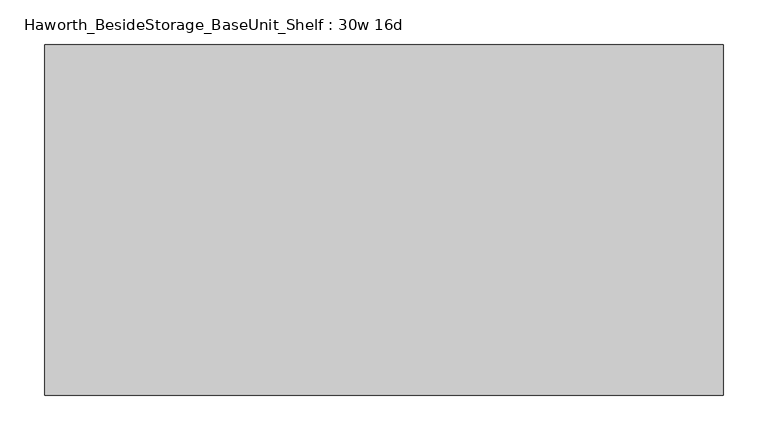
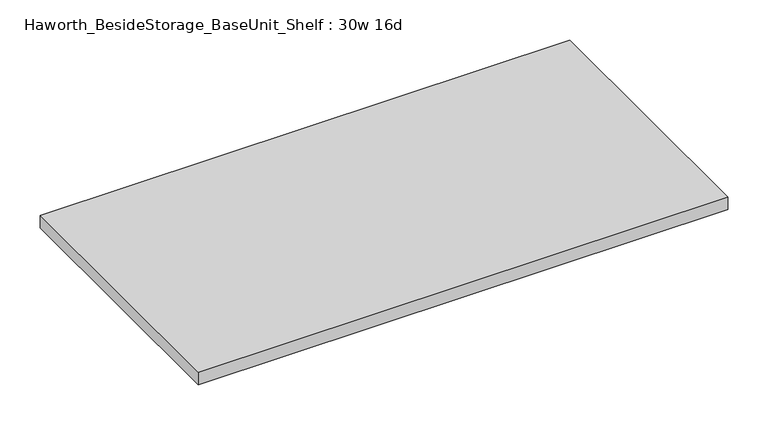
"""IFC4 building model written with IfcOpenShell, lengths in millimetres: furniture geometry, Haworth_BesideStorage_BaseUnit_Shelf : 30w 16d."""

from ifc_helpers import new_model, si_unit, frame, origin, place, context, project, spatial, polyline, outline, extrude, source, transform, mapped, element, save


def haworth_besidestorage_baseunit_shelf_30w_16d_f9243829(model_context):
    return source(origin(), model_context, "Body", "SweptSolid", [
        extrude(outline(polyline([(381.0, 196.85), (381.0, -196.85), (-381.0, -196.85), (-381.0, 196.85), (381.0, 196.85)])), frame((0.0, 0.0, 277.8125), z_axis=(0.0, 0.0, 1.0), x_axis=(1.0, 0.0, 0.0)), (0.0, 0.0, 1.0), 19.05),
    ])


if __name__ == "__main__":
    model = new_model("IFC4")
    model_context = context("Model", 3, world=origin())
    ifc_project = project(units=[si_unit("LENGTHUNIT", "METRE", prefix="MILLI")], contexts=[model_context])
    site = spatial("IfcSite", under=ifc_project)
    building = spatial("IfcBuilding", under=site)
    placement = place(None, origin())
    haworth_besidestorage_baseunit_shelf_30w_16d_shape = haworth_besidestorage_baseunit_shelf_30w_16d_f9243829(model_context)
    element("IfcFurniture", 1, ObjectType="Haworth_BesideStorage_BaseUnit_Shelf : 30w 16d", at=placement, inside=building, context=model_context, shape_type="MappedRepresentation", body=[
        mapped(haworth_besidestorage_baseunit_shelf_30w_16d_shape, transform((0.0, 0.0, 0.0), x_axis=(1.0, 0.0, 0.0), y_axis=(0.0, 1.0, 0.0), z_axis=(0.0, 0.0, 1.0))),
    ])
    save(model, "model.ifc")
